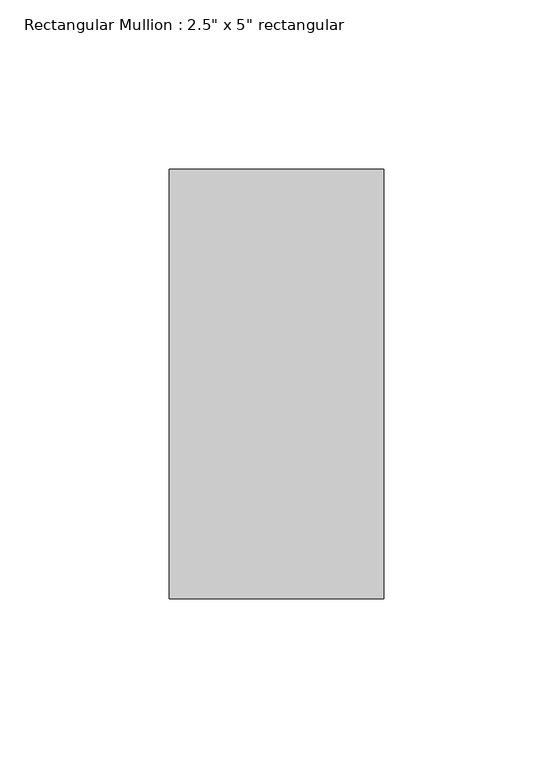
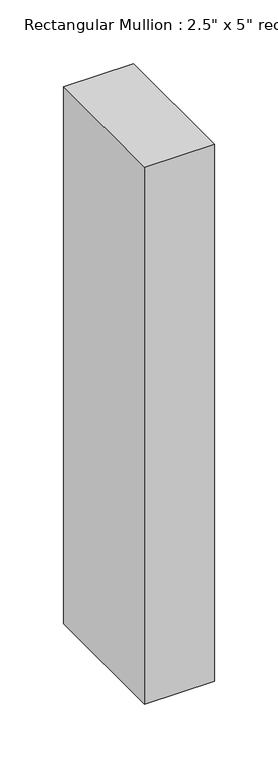
"""IFC4 building model written with IfcOpenShell, lengths in millimetres: member geometry."""

from ifc_helpers import new_model, si_unit, frame, origin, place, context, project, spatial, polyline, outline, extrude, source, transform, mapped, element, save


def member_3a2faab3(model_context):
    return source(origin(), model_context, "Body", "SweptSolid", [
        extrude(outline(polyline([(0.0, 63.5), (0.0, -63.5), (-63.5, -63.5), (-63.5, 63.5), (0.0, 63.5)])), frame((0.0, 0.0, -514.3500497), z_axis=(0.0, 0.0, 1.0), x_axis=(1.0, 0.0, 0.0)), (0.0, 0.0, 1.0), 514.3500497),
    ])


if __name__ == "__main__":
    model = new_model("IFC4")
    model_context = context("Model", 3, world=origin())
    ifc_project = project(units=[si_unit("LENGTHUNIT", "METRE", prefix="MILLI")], contexts=[model_context])
    site = spatial("IfcSite", under=ifc_project)
    building = spatial("IfcBuilding", under=site)
    placement = place(None, origin())
    member_shape = member_3a2faab3(model_context)
    element("IfcMember", 1, ObjectType="Rectangular Mullion : 2.5\" x 5\" rectangular", at=placement, inside=building, context=model_context, shape_type="MappedRepresentation", body=[
        mapped(member_shape, transform((0.0, 0.0, 0.0), x_axis=(1.0, 0.0, 0.0), y_axis=(0.0, 1.0, 0.0), z_axis=(0.0, 0.0, 1.0))),
    ])
    save(model, "model.ifc")
